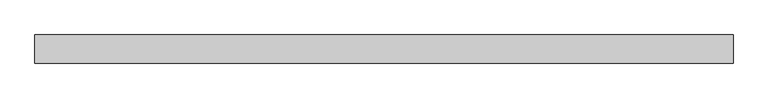
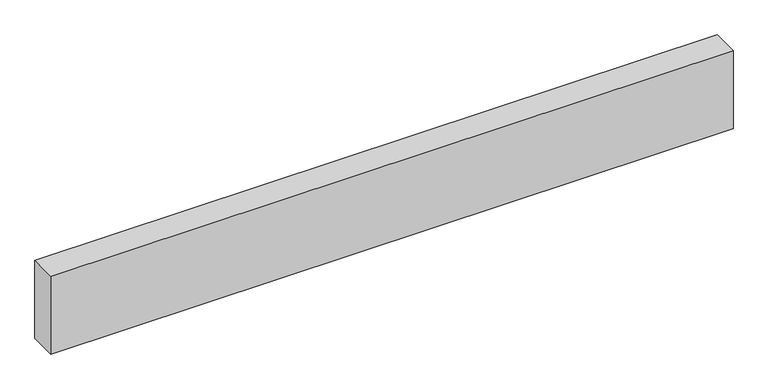
"""IFC4 building model written with IfcOpenShell, lengths in millimetres: proxy geometry."""

from ifc_helpers import new_model, si_unit, origin, origin_with_axes, place, context, project, spatial, polyline, outline, extrude, source, transform, mapped, element, save


def generic_models_753c0517(model_context):
    return source(origin(), model_context, "Body", "SweptSolid", [
        extrude(outline(polyline([(2484.88067, 0.0), (2484.88067, -100.0), (0.0, -100.0), (0.0, 0.0), (2484.88067, 0.0)])), origin_with_axes(), (0.0, 0.0, 1.0), 300.0),
    ])


if __name__ == "__main__":
    model = new_model("IFC4")
    model_context = context("Model", 3, world=origin())
    ifc_project = project(units=[si_unit("LENGTHUNIT", "METRE", prefix="MILLI")], contexts=[model_context])
    site = spatial("IfcSite", under=ifc_project)
    building = spatial("IfcBuilding", under=site)
    placement = place(None, origin())
    generic_models_shape = generic_models_753c0517(model_context)
    element("IfcBuildingElementProxy", 1, Name="Generic Models", at=placement, inside=building, context=model_context, shape_type="MappedRepresentation", body=[
        mapped(generic_models_shape, transform((0.0, 0.0, 0.0), x_axis=(1.0, 0.0, 0.0), y_axis=(0.0, 1.0, 0.0), z_axis=(0.0, 0.0, 1.0))),
    ])
    save(model, "model.ifc")
